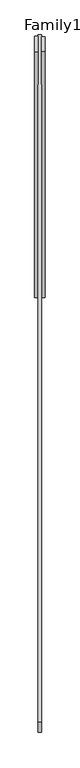
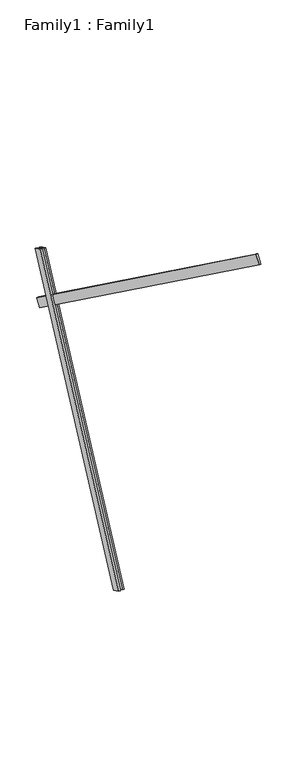
"""IFC4 building model written with IfcOpenShell, lengths in millimetres: proxy geometry, Family1 : Family1."""

from ifc_helpers import new_model, si_unit, frame, origin, place, context, project, spatial, polyline, outline, extrude, source, transform, mapped, element, save


def family1_family1_53eda8ea(model_context):
    return source(origin(), model_context, "Body", "SweptSolid", [
        extrude(outline(polyline([(0.0, 0.0), (0.0, -20.0), (-100.0000001, -20.0), (-100.0000001, 0.0), (0.0, 0.0)])), frame((-30.0, 46.3241747, -22.5938096), z_axis=(0.0, 0.4383711467890692, 0.8987940462991711), x_axis=(0.0, 0.8987940462991711, -0.4383711467890692)), (0.0, 0.0, 1.0), 3300.0),
        extrude(outline(polyline([(0.0, 0.0), (0.0, -20.0), (-99.9999999, -20.0), (-99.9999999, 0.0), (0.0, 0.0)])), frame((10.0, 45.270232, -22.0797674), z_axis=(0.0, 0.4383711467890692, 0.8987940462991711), x_axis=(0.0, 0.8987940462991711, -0.4383711467890692)), (0.0, 0.0, 1.0), 3300.0),
        extrude(outline(polyline([(0.0, -20.0), (0.0, 0.0), (5000.0, 0.0), (5000.0, -20.0), (0.0, -20.0)])), frame((-10.0, -2602.9242212, 5237.7418619), z_axis=(0.0, 0.5877852522924749, 0.8090169943749462), x_axis=(0.0, 0.8090169943749462, -0.5877852522924749)), (0.0, 0.0, 1.0), 100.0),
    ])


if __name__ == "__main__":
    model = new_model("IFC4")
    model_context = context("Model", 3, world=origin())
    ifc_project = project(units=[si_unit("LENGTHUNIT", "METRE", prefix="MILLI")], contexts=[model_context])
    site = spatial("IfcSite", under=ifc_project)
    building = spatial("IfcBuilding", under=site)
    placement = place(None, origin())
    family1_family1_shape = family1_family1_53eda8ea(model_context)
    element("IfcBuildingElementProxy", 1, Name="Family1 : Family1", ObjectType="Family1 : Family1", at=placement, inside=building, context=model_context, shape_type="MappedRepresentation", body=[
        mapped(family1_family1_shape, transform((0.0, 0.0, 0.0), x_axis=(1.0, 0.0, 0.0), y_axis=(0.0, 1.0, 0.0), z_axis=(0.0, 0.0, 1.0))),
    ])
    save(model, "model.ifc")
